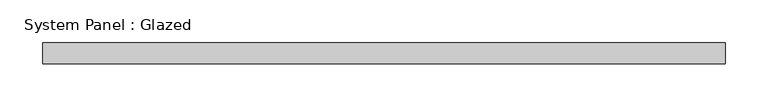
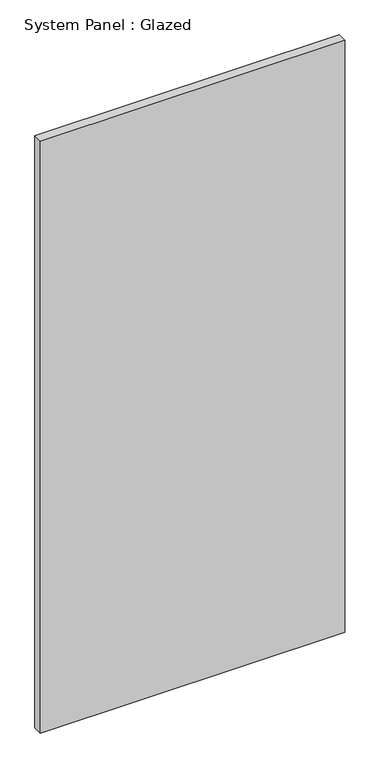
"""IFC4 building model written with IfcOpenShell, lengths in millimetres: plate geometry, System Panel : Glazed."""

from ifc_helpers import new_model, si_unit, origin, origin_with_axes, place, context, project, spatial, polyline, outline, extrude, source, transform, mapped, element, save


def system_panel_glazed_1728698b(model_context):
    return source(origin(), model_context, "Body", "SweptSolid", [
        extrude(outline(polyline([(401.1538407, 24.5), (-401.1538407, 24.5), (-401.1538407, 49.5), (401.1538407, 49.5), (401.1538407, 24.5)])), origin_with_axes(), (0.0, 0.0, 1.0), 1650.0),
    ])


if __name__ == "__main__":
    model = new_model("IFC4")
    model_context = context("Model", 3, world=origin())
    ifc_project = project(units=[si_unit("LENGTHUNIT", "METRE", prefix="MILLI")], contexts=[model_context])
    site = spatial("IfcSite", under=ifc_project)
    building = spatial("IfcBuilding", under=site)
    placement = place(None, origin())
    system_panel_glazed_shape = system_panel_glazed_1728698b(model_context)
    element("IfcPlate", 1, ObjectType="System Panel : Glazed", at=placement, inside=building, context=model_context, shape_type="MappedRepresentation", body=[
        mapped(system_panel_glazed_shape, transform((0.0, 0.0, 0.0), x_axis=(1.0, 0.0, 0.0), y_axis=(0.0, 1.0, 0.0), z_axis=(0.0, 0.0, 1.0))),
    ])
    save(model, "model.ifc")
